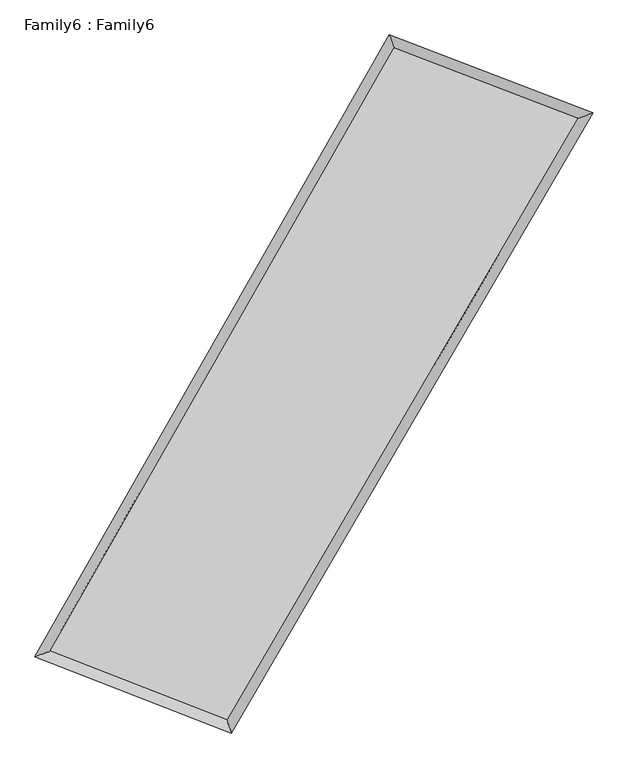
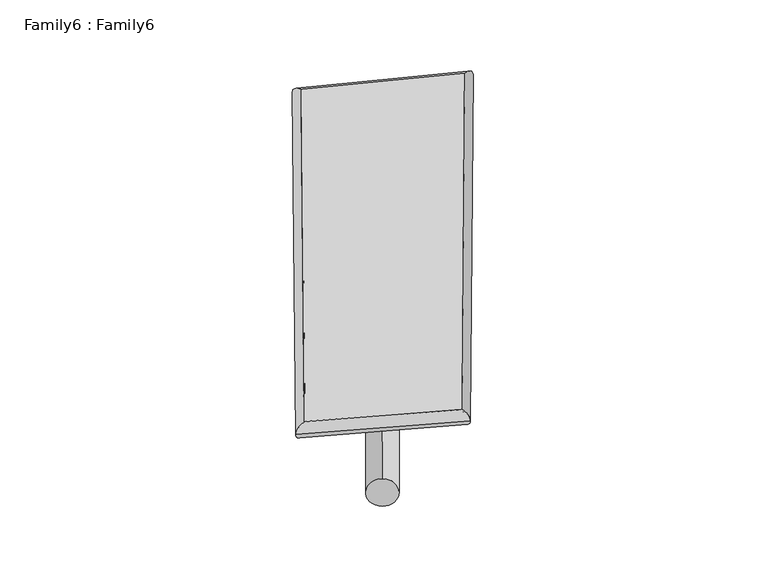
"""IFC4 building model written with IfcOpenShell, lengths in millimetres: plate geometry, Family6 : Family6."""

from ifc_helpers import new_model, si_unit, point, frame, origin, origin_2d, place, context, project, spatial, circle_curve, ellipse_curve, trimmed, segment, composite_curve, outline, extrude, source, transform, mapped, element, save
from ifc_brep_helpers import plane_surface, cylinder_surface, spline_surface, advanced_brep


def family6_family6_6a32a70d(model_context):
    return source(origin(), model_context, "Body", "SolidModel", [
        extrude(outline(composite_curve([segment(trimmed(circle_curve(origin_2d(), 76.2), [point((-75.4341514, -10.7763074))], [point((75.4341514, 10.7763074))], False, "CARTESIAN"), True, "CONTINUOUS"), segment(trimmed(circle_curve(origin_2d(), 76.2), [point((75.4341514, 10.7763074))], [point((-75.4341514, -10.7763074))], False, "CARTESIAN"), True, "CONTINUOUS")], self_intersect=False)), frame((9144.0, 9144.0, 0.0), z_axis=(0.6827716080549874, 0.682908874177967, 0.2597275511049768), x_axis=(-0.6740917980785928, 0.7259074466300978, -0.13659658374257191)), (0.0, 0.0, 1.0), 5921.7575631),
        extrude(outline(composite_curve([segment(trimmed(circle_curve(origin_2d(), 76.2), [point((-53.8815367, 53.8815367))], [point((53.8815367, -53.8815367))], False, "CARTESIAN"), True, "CONTINUOUS"), segment(trimmed(circle_curve(origin_2d(), 76.2), [point((53.8815367, -53.8815367))], [point((-53.8815367, 53.8815367))], False, "CARTESIAN"), True, "CONTINUOUS")], self_intersect=False)), frame((9144.0, 9144.0, 0.0), z_axis=(-0.6770092806898883, -0.6881237595106071, 0.26104429788208017), x_axis=(0.634415134360094, -0.36585164050735985, 0.6809331938104776)), (0.0, 0.0, 1.0), 5892.8661735),
        extrude(outline(composite_curve([segment(trimmed(circle_curve(origin_2d(), 76.2), [point((-53.8815367, -53.8815368))], [point((53.8815367, 53.8815368))], False, "CARTESIAN"), True, "CONTINUOUS"), segment(trimmed(circle_curve(origin_2d(), 76.2), [point((53.8815367, 53.8815368))], [point((-53.8815367, -53.8815368))], False, "CARTESIAN"), True, "CONTINUOUS")], self_intersect=False)), frame((9144.0, 9144.0, 0.0), z_axis=(0.22649420236542162, 0.9342695578743284, 0.27539202879560354), x_axis=(-0.8485219523236249, 0.3280863102026274, -0.4151745048561261)), (0.0, 0.0, 1.0), 5478.0436359),
        extrude(outline(composite_curve([segment(trimmed(circle_curve(origin_2d(), 76.2), [point((-75.4341514, 10.7763073))], [point((75.4341514, -10.7763073))], False, "CARTESIAN"), True, "CONTINUOUS"), segment(trimmed(circle_curve(origin_2d(), 76.2), [point((75.4341514, -10.7763073))], [point((-75.4341514, 10.7763073))], False, "CARTESIAN"), True, "CONTINUOUS")], self_intersect=False)), frame((9144.0, 9144.0, 0.0), z_axis=(-0.235784439629328, -0.9319982067301406, 0.2752908292705843), x_axis=(0.8893070695652056, -0.09271000096730238, 0.44781446129171565)), (0.0, 0.0, 1.0), 5478.1202641),
        advanced_brep(
        [(4934.6462413, 5011.0813239, 1536.5128409), (4934.6250012, 5011.0459034, 1541.0169752), (5374.30358, 5166.8762249, 1540.0853846), (10452.3354767, 14072.8671422, 1511.2600014), (10317.154771, 14451.0716692, 1505.9591), (5374.3248201, 5166.9116454, 1535.5812503), (12965.2349358, 13109.8838389, 1537.6527804), (13409.1809319, 13266.1577421, 1538.4343998), (7786.2871341, 4227.6697167, 1508.5612795), (7918.4018325, 3849.1337585, 1507.5912612)],
        [
            (0, 1, ellipse_curve(frame((5154.4749107, 5088.9787744, 1538.2991128), z_axis=(-0.33404155573759536, 0.94254027482326, 0.00583689784908378), x_axis=(-0.9425031788301738, -0.33408259940697776, 0.008750695314904463)), 233.271337, 152.4)),
            (1, 2, ellipse_curve(frame((5154.4749107, 5088.9787744, 1538.2991128), z_axis=(-0.33404155573759536, 0.94254027482326, 0.00583689784908378), x_axis=(-0.9425031788301738, -0.33408259940697776, 0.008750695314904463)), 233.271337, 152.4)),
            (2, 3),
            (3, 4, ellipse_curve(frame((10384.7451238, 14261.9694057, 1508.6095507), z_axis=(-0.9416264974992172, -0.3366278265045324, -0.004609298231971295), x_axis=(0.33657355997685295, -0.9416073459955775, 0.009687346988353508)), 200.8370305, 152.4)),
            (4, 0),
            (2, 5, ellipse_curve(frame((5154.4749107, 5088.9787744, 1538.2991128), z_axis=(-0.33404155573759536, 0.94254027482326, 0.00583689784908378), x_axis=(-0.9425031788301738, -0.33408259940697776, 0.008750695314904463)), 233.271337, 152.4)),
            (5, 0, ellipse_curve(frame((5154.4749107, 5088.9787744, 1538.2991128), z_axis=(-0.33404155573759536, 0.94254027482326, 0.00583689784908378), x_axis=(-0.9425031788301738, -0.33408259940697776, 0.008750695314904463)), 233.271337, 152.4)),
            (4, 3, ellipse_curve(frame((10384.7451238, 14261.9694057, 1508.6095507), z_axis=(-0.9416264974992172, -0.3366278265045324, -0.004609298231971295), x_axis=(0.33657355997685295, -0.9416073459955775, 0.009687346988353508)), 200.8370305, 152.4)),
            (3, 6),
            (6, 7, ellipse_curve(frame((13187.2079338, 13188.0207905, 1538.0435901), z_axis=(-0.33202658737268487, 0.9432546435453377, -0.005387272761471716), x_axis=(-0.9432210716652708, -0.33206212739544205, -0.008291774009911457)), 235.3315089, 152.4)),
            (7, 4),
            (7, 6, ellipse_curve(frame((13187.2079338, 13188.0207905, 1538.0435901), z_axis=(-0.33202658737268487, 0.9432546435453377, -0.005387272761471716), x_axis=(-0.9432210716652708, -0.33206212739544205, -0.008291774009911457)), 235.3315089, 152.4)),
            (6, 8),
            (8, 9, ellipse_curve(frame((7852.3444833, 4038.4017376, 1508.0762704), z_axis=(0.9441321757069744, 0.3295290428725283, -0.005004467836908994), x_axis=(-0.32946774104718163, 0.9441116141360543, 0.010211153836924006)), 200.4693453, 152.4)),
            (9, 7),
            (9, 8, ellipse_curve(frame((7852.3444833, 4038.4017376, 1508.0762704), z_axis=(0.9441321757069744, 0.3295290428725283, -0.005004467836908994), x_axis=(-0.32946774104718163, 0.9441116141360543, 0.010211153836924006)), 200.4693453, 152.4)),
            (8, 5),
            (1, 9),
        ],
        [
            cylinder_surface(frame((5154.4749107, 5088.9787744, 1538.2991128), z_axis=(-0.4953201340972717, -0.8687059682207524, 0.0028116784144233582), x_axis=(-0.8686328100646888, 0.4952299418515534, -0.014978183228592852)), 152.4),
            cylinder_surface(frame((10384.7451238, 14261.9694057, 1508.6095507), z_axis=(-0.9337378228349471, 0.3578232824969466, -0.009806972548313916), x_axis=(0.3579082656492511, 0.9337136267655476, -0.008974217084115135)), 152.4),
            cylinder_surface(frame((13187.2079338, 13188.0207905, 1538.0435901), z_axis=(0.5036989203027316, 0.8638746391316756, 0.002829408238427604), x_axis=(0.8638789342440247, -0.5036989203027316, -0.0007646275371049514)), 152.4),
            cylinder_surface(frame((7852.3444833, 4038.4017376, 1508.0762704), z_axis=(0.931789815690849, -0.36284815004708615, -0.010438361088854172), x_axis=(-0.36280613466965855, -0.9318469773927868, 0.005737540412841429)), 152.4),
        ],
        [
            (0, [[1, 2, 3, 4, 5]]),
            (0, [[6, 7, -5, 8, -3]]),
            (1, [[-4, 9, 10, 11]]),
            (1, [[-8, -11, 12, -9]]),
            (2, [[-10, 13, 14, 15]]),
            (2, [[-12, -15, 16, -13]]),
            (3, [[-14, 17, -6, -2, 18]]),
            (3, [[-16, -18, -1, -7, -17]]),
        ],
    ),
        extrude(outline(composite_curve([segment(trimmed(circle_curve(origin_2d(), 304.8), [point((-1e-07, 304.8))], [point((-1e-07, -304.8))], False, "CARTESIAN"), True, "CONTINUOUS"), segment(trimmed(circle_curve(origin_2d(), 304.8), [point((-1e-07, -304.8))], [point((-1e-07, 304.8))], False, "CARTESIAN"), True, "CONTINUOUS")], self_intersect=False)), frame((11806.832565, 13737.6364123, -0.0120664), z_axis=(-0.5015099864975071, -0.8651518557097972, 2.2725454391227076e-06), x_axis=(-0.8651518557125661, 0.5015099864975071, -6.110517108837111e-07)), (0.0, 0.0, 1.0), 10619.2603806),
        advanced_brep(
        [(5154.4749107, 5088.9787744, 1538.2991128), (7852.3444833, 4038.4017376, 1508.0762704), (7852.3377774, 4038.4029169, 1660.4762702), (5154.4682048, 5088.9799538, 1690.6991126), (13187.2079338, 13188.0207905, 1538.0435901), (13187.2012279, 13188.0219699, 1690.4435899), (10384.7451238, 14261.9694057, 1508.6095507), (10384.7384179, 14261.9705851, 1661.0095506)],
        [
            (0, 1),
            (1, 2),
            (2, 3),
            (3, 0),
            (1, 4),
            (4, 5),
            (5, 2),
            (4, 6),
            (6, 7),
            (7, 5),
            (6, 0),
            (3, 7),
        ],
        [
            plane_surface(frame((6503.409697, 4563.690256, 1523.1876916), z_axis=(-0.3628680046761848, -0.9318405502582826, -8.755900605591452e-06), x_axis=(0.9317898156908491, -0.36284815004708565, -0.010438361088854186))),
            plane_surface(frame((10519.7762086, 8613.2112641, 1523.0599302), z_axis=(0.8638780365601577, -0.503701038506465, 4.1910328208884804e-05), x_axis=(0.5036989203027312, 0.8638746391316758, 0.0028294082384276013))),
            plane_surface(frame((11785.9765288, 13724.9950981, 1523.3265704), z_axis=(0.357840412835281, 0.9337827578560719, 8.519646297747326e-06), x_axis=(-0.933737822834947, 0.3578232824969468, -0.00980697254831392))),
            plane_surface(frame((7769.6100173, 9675.4740901, 1523.4543317), z_axis=(-0.8687094598396703, 0.49532198882765804, -4.205807963429328e-05), x_axis=(-0.49532013409727177, -0.8687059682207523, 0.002811678414423358))),
            spline_surface(1, 1, [[(7852.3377774, 4038.4029169, 1660.4762702), (5154.4682048, 5088.9799538, 1690.6991126)], [(13187.2012279, 13188.0219699, 1690.4435899), (10384.7384179, 14261.9705851, 1661.0095506)]], [2, 2], [2, 2], [0.0, 1.0], [0.0, 1.0]),
            spline_surface(1, 1, [[(10384.7451238, 14261.9694057, 1508.6095507), (5154.4749107, 5088.9787744, 1538.2991128)], [(13187.2079338, 13188.0207905, 1538.0435901), (7852.3444833, 4038.4017376, 1508.0762704)]], [2, 2], [2, 2], [0.0, 1.0], [0.0, 1.0]),
        ],
        [
            (0, [[1, 2, 3, 4]]),
            (1, [[5, 6, 7, -2]]),
            (2, [[8, 9, 10, -6]]),
            (3, [[11, -4, 12, -9]]),
            (4, [[-3, -7, -10, -12]]),
            (5, [[-11, -8, -5, -1]]),
        ],
    ),
    ])


if __name__ == "__main__":
    model = new_model("IFC4")
    model_context = context("Model", 3, world=origin())
    ifc_project = project(units=[si_unit("LENGTHUNIT", "METRE", prefix="MILLI")], contexts=[model_context])
    site = spatial("IfcSite", under=ifc_project)
    building = spatial("IfcBuilding", under=site)
    placement = place(None, origin())
    family6_family6_shape = family6_family6_6a32a70d(model_context)
    element("IfcPlate", 1, ObjectType="Family6 : Family6", at=placement, inside=building, context=model_context, shape_type="MappedRepresentation", body=[
        mapped(family6_family6_shape, transform((0.0, 0.0, 0.0), x_axis=(1.0, 0.0, 0.0), y_axis=(0.0, 1.0, 0.0), z_axis=(0.0, 0.0, 1.0))),
    ])
    save(model, "model.ifc")
